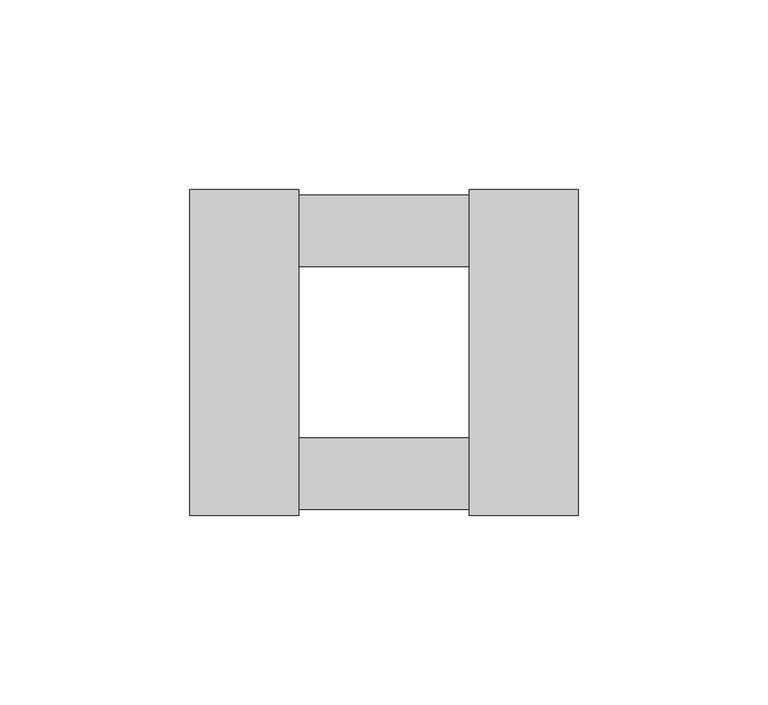
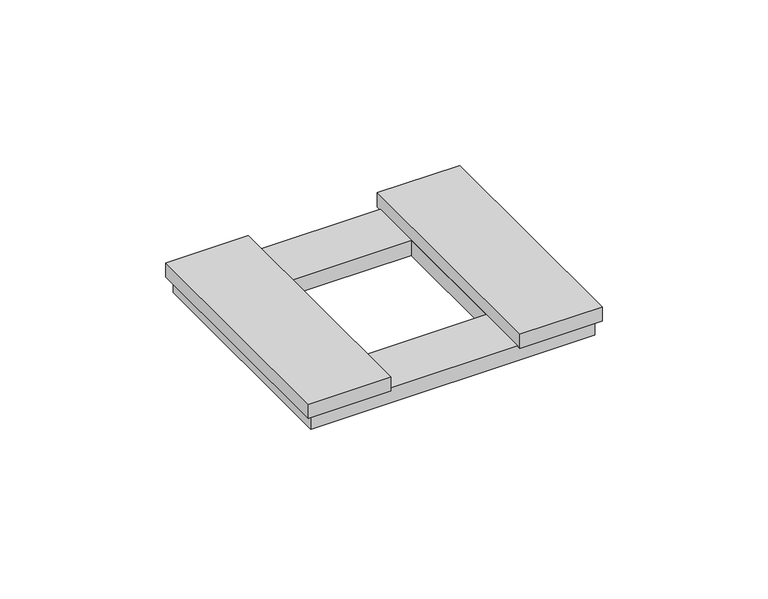
"""IFC4 building model written with IfcOpenShell, lengths in millimetres: proxy geometry."""

from ifc_helpers import new_model, si_unit, frame, origin, origin_with_axes, place, context, project, spatial, polyline, outline, extrude, source, transform, mapped, element, save


def electrical_fixtures_4e67b6dd(model_context):
    return source(origin(), model_context, "Body", "SweptSolid", [
        extrude(outline(polyline([(49.5718172, 41.5), (49.5718172, -41.5), (-49.5718172, -41.5), (-49.5718172, 41.5), (49.5718172, 41.5)]), holes=[polyline([(22.5, 22.5), (-22.5, 22.5), (-22.5, -22.5), (22.5, -22.5), (22.5, 22.5)])]), origin_with_axes(), (0.0, 0.0, 1.0), 5.5),
        extrude(outline(polyline([(22.5, -43.0), (22.5, 43.0), (51.3, 43.0), (51.3, -43.0), (22.5, -43.0)])), frame((0.0, 0.0, 5.5), z_axis=(0.0, 0.0, 1.0), x_axis=(1.0, 0.0, 0.0)), (0.0, 0.0, 1.0), 5.2),
        extrude(outline(polyline([(-51.3, -43.0), (-51.3, 43.0), (-22.5, 43.0), (-22.5, -43.0), (-51.3, -43.0)])), frame((0.0, 0.0, 5.5), z_axis=(0.0, 0.0, 1.0), x_axis=(1.0, 0.0, 0.0)), (0.0, 0.0, 1.0), 5.2),
    ])


if __name__ == "__main__":
    model = new_model("IFC4")
    model_context = context("Model", 3, world=origin())
    ifc_project = project(units=[si_unit("LENGTHUNIT", "METRE", prefix="MILLI")], contexts=[model_context])
    site = spatial("IfcSite", under=ifc_project)
    building = spatial("IfcBuilding", under=site)
    placement = place(None, origin())
    electrical_fixtures_shape = electrical_fixtures_4e67b6dd(model_context)
    element("IfcBuildingElementProxy", 1, Name="Electrical Fixtures", at=placement, inside=building, context=model_context, shape_type="MappedRepresentation", body=[
        mapped(electrical_fixtures_shape, transform((0.0, 0.0, 0.0), x_axis=(1.0, 0.0, 0.0), y_axis=(0.0, 1.0, 0.0), z_axis=(0.0, 0.0, 1.0))),
    ])
    save(model, "model.ifc")
